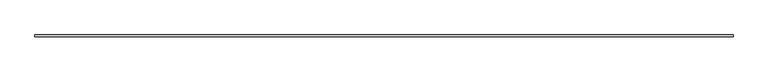
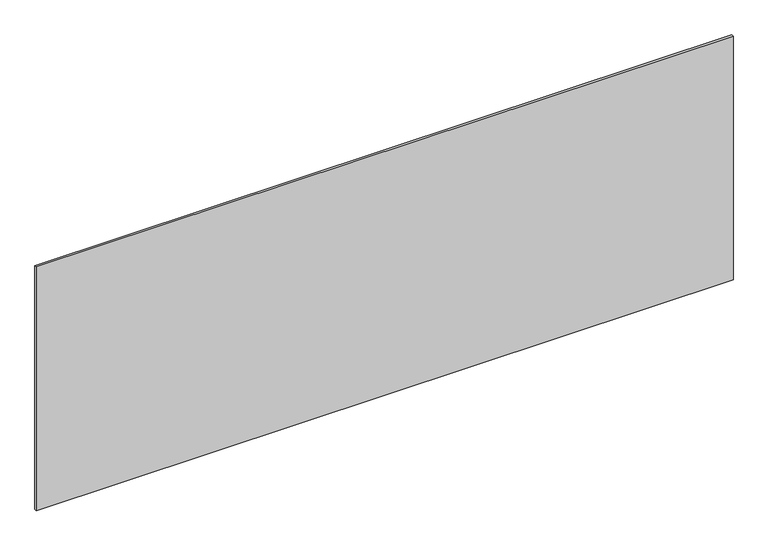
"""IFC4 building model written with IfcOpenShell, lengths in millimetres: plate geometry."""

import ifcopenshell
import ifcopenshell.guid

model = None  # the IFC model being written
_history = None  # IfcOwnerHistory: only IFC2X3 demands one
_inside = {}  # id of a spatial element -> (the spatial element, [elements in it])
_under = {}  # id of a project, library or spatial element -> (it, [spatial elements below it])
_declared = {}  # id of a project -> (the project, [libraries it declares])
_typed = {}  # id of a type object -> (the type object, [elements of that type])
_made_of = {}  # id of a material, layer set ... -> (it, [elements and type objects made of it])


def new_model(schema):
    """Start an empty IFC model of exactly this schema.

    Asked for "IFC4X3", IfcOpenShell would pick the latest addendum, in which some entities
    have other attributes; the version numbers below select the first issue.
    IFC2X3 requires an IfcOwnerHistory on every rooted entity: one is made here for all.
    """
    global model, _history
    if schema == "IFC4X3":
        model = ifcopenshell.file(schema_version=(4, 3, 0, 0))
    else:
        model = ifcopenshell.file(schema=schema)
    _inside.clear()
    _under.clear()
    _declared.clear()
    _typed.clear()
    _made_of.clear()
    _history = None
    if model.schema == "IFC2X3":
        org = make("IfcOrganization", Name="unknown")
        user = make(
            "IfcPersonAndOrganization",
            ThePerson=make("IfcPerson", FamilyName="unknown"),
            TheOrganization=org,
        )
        app = make(
            "IfcApplication",
            ApplicationDeveloper=org,
            Version="unknown",
            ApplicationFullName="unknown",
            ApplicationIdentifier="unknown",
        )
        _history = make(
            "IfcOwnerHistory",
            OwningUser=user,
            OwningApplication=app,
            ChangeAction="ADDED",
            CreationDate=0,
        )
    return model


def make(cls, **values):
    """One entity of the class cls with the attributes given. An attribute that is None is left unset."""
    return model.create_entity(
        cls, **{name: value for name, value in values.items() if value is not None}
    )


def rooted(cls, **values):
    """An entity with a GlobalId (a new one), such as an element, a storey or a relation."""
    return make(cls, GlobalId=ifcopenshell.guid.new(), OwnerHistory=_history, **values)


def si_unit(unit_type, name, prefix=None):
    """IfcSIUnit, for example si_unit("LENGTHUNIT", "METRE", prefix="MILLI")."""
    return make("IfcSIUnit", UnitType=unit_type, Prefix=prefix, Name=name)


def assignment(units):
    """IfcUnitAssignment: the units of a project."""
    return None if units is None else make("IfcUnitAssignment", Units=units)


def point(xyz):
    """IfcCartesianPoint."""
    return None if xyz is None else make("IfcCartesianPoint", Coordinates=xyz)


def direction(xyz):
    """IfcDirection."""
    return None if xyz is None else make("IfcDirection", DirectionRatios=xyz)


def frame(location, z_axis=None, x_axis=None):
    """IfcAxis2Placement3D, a coordinate frame: its origin and axes. An axis left out is left unset."""
    return make(
        "IfcAxis2Placement3D",
        Location=point(location),
        Axis=direction(z_axis),
        RefDirection=direction(x_axis),
    )


def origin():
    """The frame at (0, 0, 0) with its axes left unset."""
    return frame((0.0, 0.0, 0.0))


def origin_with_axes():
    """The frame at (0, 0, 0) with the z axis (0, 0, 1) and the x axis (1, 0, 0) written out."""
    return frame((0.0, 0.0, 0.0), z_axis=(0.0, 0.0, 1.0), x_axis=(1.0, 0.0, 0.0))


def place(relative_to, where):
    """IfcLocalPlacement: puts the frame where relative to a parent placement (None: the world)."""
    return make(
        "IfcLocalPlacement", PlacementRelTo=relative_to, RelativePlacement=where
    )


def context(
    kind, dimensions, precision=None, world=None, true_north=None, identifier=None
):
    """IfcGeometricRepresentationContext, for example the 3D "Model" context."""
    return make(
        "IfcGeometricRepresentationContext",
        ContextIdentifier=identifier,
        ContextType=kind,
        CoordinateSpaceDimension=dimensions,
        Precision=precision,
        WorldCoordinateSystem=world,
        TrueNorth=true_north,
    )


def project(units=None, contexts=None):
    """IfcProject with its units and contexts."""
    return rooted(
        "IfcProject",
        Name="project",
        RepresentationContexts=contexts,
        UnitsInContext=assignment(units),
    )


def spatial(cls, under=None, at=None, **own):
    """A site, building, storey or space (cls), placed at a placement, below another one or the project."""
    s = rooted(cls, ObjectPlacement=at, **own)
    if under is not None:
        _under.setdefault(under.id(), (under, []))[1].append(s)
    return s


def polyline(points):
    """IfcPolyline through the points."""
    return make("IfcPolyline", Points=[point(p) for p in points])


def outline(outer, holes=None, kind="AREA"):
    """IfcArbitraryClosedProfileDef: a profile drawn as a closed curve; with holes, ...WithVoids."""
    if holes is None:
        return make("IfcArbitraryClosedProfileDef", ProfileType=kind, OuterCurve=outer)
    return make(
        "IfcArbitraryProfileDefWithVoids",
        ProfileType=kind,
        OuterCurve=outer,
        InnerCurves=holes,
    )


def extrude(swept, where, along, depth):
    """IfcExtrudedAreaSolid: the profile swept, set in the frame where, extruded along a direction by depth."""
    return make(
        "IfcExtrudedAreaSolid",
        SweptArea=swept,
        Position=where,
        ExtrudedDirection=direction(along),
        Depth=depth,
    )


def shape(context_of_items, identifier, shape_type, items):
    """IfcShapeRepresentation: the items that make up one representation, for example the "Body"."""
    return make(
        "IfcShapeRepresentation",
        ContextOfItems=context_of_items,
        RepresentationIdentifier=identifier,
        RepresentationType=shape_type,
        Items=items,
    )


def source(mapping_origin, context_of_items, identifier, shape_type, items):
    """IfcRepresentationMap: a shape defined once, which mapped items show again and again."""
    return make(
        "IfcRepresentationMap",
        MappingOrigin=mapping_origin,
        MappedRepresentation=shape(context_of_items, identifier, shape_type, items),
    )


def transform(
    local_origin,
    x_axis=None,
    y_axis=None,
    z_axis=None,
    scale=None,
    scale2=None,
    scale3=None,
    uniform=True,
):
    """IfcCartesianTransformationOperator3D, or its non-uniform kind. x_axis, y_axis, z_axis: its Axis1, 2, 3."""
    if uniform:
        return make(
            "IfcCartesianTransformationOperator3D",
            Axis1=direction(x_axis),
            Axis2=direction(y_axis),
            LocalOrigin=point(local_origin),
            Scale=scale,
            Axis3=direction(z_axis),
        )
    return make(
        "IfcCartesianTransformationOperator3DnonUniform",
        Axis1=direction(x_axis),
        Axis2=direction(y_axis),
        LocalOrigin=point(local_origin),
        Scale=scale,
        Axis3=direction(z_axis),
        Scale2=scale2,
        Scale3=scale3,
    )


def mapped(mapping_source, mapping_target):
    """IfcMappedItem: shows the shape of a source again, moved by a transform."""
    return make(
        "IfcMappedItem", MappingSource=mapping_source, MappingTarget=mapping_target
    )


def made_of(thing, what):
    """Note that an element or type object is made of a material, layer set ...; save() writes the relation."""
    if what is not None:
        _made_of.setdefault(what.id(), (what, []))[1].append(thing)
    return thing


def element(
    cls,
    number,
    at=None,
    inside=None,
    cuts=None,
    type_object=None,
    material=None,
    context=None,
    identifier="Body",
    shape_type=None,
    held_by="IfcProductDefinitionShape",
    body=None,
    shapes=None,
    **own,
):
    """One element of the class cls, such as IfcWall. Its Tag is "e" and its number.

    at: its placement. inside: the storey or other place that contains it. cuts: it is an
    opening in that element (IfcRelVoidsElement). A single representation is given by context,
    identifier, shape_type and body (its items); several are given by shapes. held_by: the class
    of the entity that holds the representations. save() writes the other relations.
    """
    e = rooted(cls, Tag="e%d" % number, ObjectPlacement=at, **own)
    if body is not None:
        shapes = [shape(context, identifier, shape_type, body)]
    if shapes is not None:
        e.Representation = make(held_by, Representations=shapes)
    if inside is not None:
        _inside.setdefault(inside.id(), (inside, []))[1].append(e)
    if cuts is not None:
        rooted(
            "IfcRelVoidsElement", RelatingBuildingElement=cuts, RelatedOpeningElement=e
        )
    if type_object is not None:
        _typed.setdefault(type_object.id(), (type_object, []))[1].append(e)
    return made_of(e, material)


def aggregate(whole, parts):
    """IfcRelAggregates: a whole, such as a stair, and the parts it consists of."""
    return rooted("IfcRelAggregates", RelatingObject=whole, RelatedObjects=parts)


def save(model, path):
    """Write the relations noted so far, then the file.

    IfcRelAggregates (storeys below a building ...), IfcRelContainedInSpatialStructure (elements
    in a storey), IfcRelDefinesByType, IfcRelAssociatesMaterial and IfcRelDeclares: one each for
    every whole, place, type object, material and project.
    """
    for whole, parts in _under.values():
        aggregate(whole, parts)
    for where, things in _inside.values():
        rooted(
            "IfcRelContainedInSpatialStructure",
            RelatedElements=things,
            RelatingStructure=where,
        )
    for kind, things in _typed.values():
        rooted("IfcRelDefinesByType", RelatedObjects=things, RelatingType=kind)
    for what, things in _made_of.values():
        rooted("IfcRelAssociatesMaterial", RelatedObjects=things, RelatingMaterial=what)
    for by, libraries in _declared.values():
        rooted("IfcRelDeclares", RelatingContext=by, RelatedDefinitions=libraries)
    model.write(path)


def plate_b074593b(model_context):
    return source(origin(), model_context, "Body", "SweptSolid", [
        extrude(outline(polyline([(1715.0, -5.0), (-1715.0, -5.0), (-1715.0, 5.0), (1715.0, 5.0), (1715.0, -5.0)])), origin_with_axes(), (0.0, 0.0, 1.0), 1267.928235),
    ])


if __name__ == "__main__":
    model = new_model("IFC4")
    model_context = context("Model", 3, world=origin())
    ifc_project = project(units=[si_unit("LENGTHUNIT", "METRE", prefix="MILLI")], contexts=[model_context])
    site = spatial("IfcSite", under=ifc_project)
    building = spatial("IfcBuilding", under=site)
    placement = place(None, origin())
    plate_shape = plate_b074593b(model_context)
    element("IfcPlate", 1, at=placement, inside=building, context=model_context, shape_type="MappedRepresentation", body=[
        mapped(plate_shape, transform((0.0, 0.0, 0.0), x_axis=(1.0, 0.0, 0.0), y_axis=(0.0, 1.0, 0.0), z_axis=(0.0, 0.0, 1.0))),
    ])
    save(model, "model.ifc")
